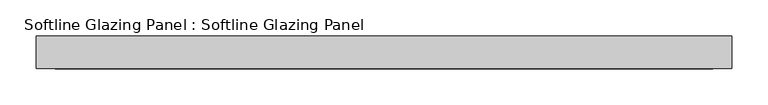
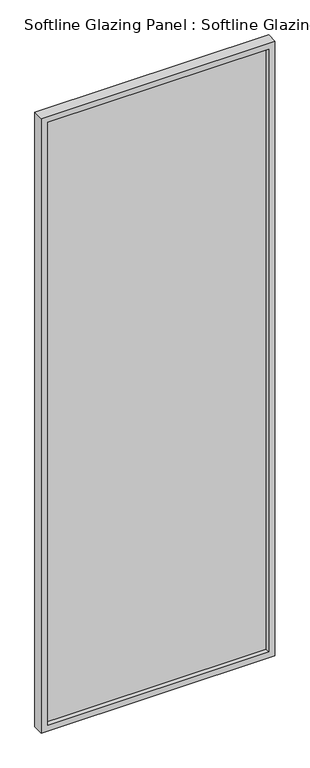
"""IFC4 building model written with IfcOpenShell, lengths in millimetres: plate geometry, Softline Glazing Panel : Softline Glazing Panel."""

import ifcopenshell
import ifcopenshell.guid

model = None  # the IFC model being written
_history = None  # IfcOwnerHistory: only IFC2X3 demands one
_inside = {}  # id of a spatial element -> (the spatial element, [elements in it])
_under = {}  # id of a project, library or spatial element -> (it, [spatial elements below it])
_declared = {}  # id of a project -> (the project, [libraries it declares])
_typed = {}  # id of a type object -> (the type object, [elements of that type])
_made_of = {}  # id of a material, layer set ... -> (it, [elements and type objects made of it])


def new_model(schema):
    """Start an empty IFC model of exactly this schema.

    Asked for "IFC4X3", IfcOpenShell would pick the latest addendum, in which some entities
    have other attributes; the version numbers below select the first issue.
    IFC2X3 requires an IfcOwnerHistory on every rooted entity: one is made here for all.
    """
    global model, _history
    if schema == "IFC4X3":
        model = ifcopenshell.file(schema_version=(4, 3, 0, 0))
    else:
        model = ifcopenshell.file(schema=schema)
    _inside.clear()
    _under.clear()
    _declared.clear()
    _typed.clear()
    _made_of.clear()
    _history = None
    if model.schema == "IFC2X3":
        org = make("IfcOrganization", Name="unknown")
        user = make(
            "IfcPersonAndOrganization",
            ThePerson=make("IfcPerson", FamilyName="unknown"),
            TheOrganization=org,
        )
        app = make(
            "IfcApplication",
            ApplicationDeveloper=org,
            Version="unknown",
            ApplicationFullName="unknown",
            ApplicationIdentifier="unknown",
        )
        _history = make(
            "IfcOwnerHistory",
            OwningUser=user,
            OwningApplication=app,
            ChangeAction="ADDED",
            CreationDate=0,
        )
    return model


def make(cls, **values):
    """One entity of the class cls with the attributes given. An attribute that is None is left unset."""
    return model.create_entity(
        cls, **{name: value for name, value in values.items() if value is not None}
    )


def rooted(cls, **values):
    """An entity with a GlobalId (a new one), such as an element, a storey or a relation."""
    return make(cls, GlobalId=ifcopenshell.guid.new(), OwnerHistory=_history, **values)


def si_unit(unit_type, name, prefix=None):
    """IfcSIUnit, for example si_unit("LENGTHUNIT", "METRE", prefix="MILLI")."""
    return make("IfcSIUnit", UnitType=unit_type, Prefix=prefix, Name=name)


def assignment(units):
    """IfcUnitAssignment: the units of a project."""
    return None if units is None else make("IfcUnitAssignment", Units=units)


def point(xyz):
    """IfcCartesianPoint."""
    return None if xyz is None else make("IfcCartesianPoint", Coordinates=xyz)


def direction(xyz):
    """IfcDirection."""
    return None if xyz is None else make("IfcDirection", DirectionRatios=xyz)


def frame(location, z_axis=None, x_axis=None):
    """IfcAxis2Placement3D, a coordinate frame: its origin and axes. An axis left out is left unset."""
    return make(
        "IfcAxis2Placement3D",
        Location=point(location),
        Axis=direction(z_axis),
        RefDirection=direction(x_axis),
    )


def origin():
    """The frame at (0, 0, 0) with its axes left unset."""
    return frame((0.0, 0.0, 0.0))


def place(relative_to, where):
    """IfcLocalPlacement: puts the frame where relative to a parent placement (None: the world)."""
    return make(
        "IfcLocalPlacement", PlacementRelTo=relative_to, RelativePlacement=where
    )


def context(
    kind, dimensions, precision=None, world=None, true_north=None, identifier=None
):
    """IfcGeometricRepresentationContext, for example the 3D "Model" context."""
    return make(
        "IfcGeometricRepresentationContext",
        ContextIdentifier=identifier,
        ContextType=kind,
        CoordinateSpaceDimension=dimensions,
        Precision=precision,
        WorldCoordinateSystem=world,
        TrueNorth=true_north,
    )


def project(units=None, contexts=None):
    """IfcProject with its units and contexts."""
    return rooted(
        "IfcProject",
        Name="project",
        RepresentationContexts=contexts,
        UnitsInContext=assignment(units),
    )


def spatial(cls, under=None, at=None, **own):
    """A site, building, storey or space (cls), placed at a placement, below another one or the project."""
    s = rooted(cls, ObjectPlacement=at, **own)
    if under is not None:
        _under.setdefault(under.id(), (under, []))[1].append(s)
    return s


def polyline(points):
    """IfcPolyline through the points."""
    return make("IfcPolyline", Points=[point(p) for p in points])


def outline(outer, holes=None, kind="AREA"):
    """IfcArbitraryClosedProfileDef: a profile drawn as a closed curve; with holes, ...WithVoids."""
    if holes is None:
        return make("IfcArbitraryClosedProfileDef", ProfileType=kind, OuterCurve=outer)
    return make(
        "IfcArbitraryProfileDefWithVoids",
        ProfileType=kind,
        OuterCurve=outer,
        InnerCurves=holes,
    )


def extrude(swept, where, along, depth):
    """IfcExtrudedAreaSolid: the profile swept, set in the frame where, extruded along a direction by depth."""
    return make(
        "IfcExtrudedAreaSolid",
        SweptArea=swept,
        Position=where,
        ExtrudedDirection=direction(along),
        Depth=depth,
    )


def faces_of(points, faces, orient=None, outer=None):
    """IfcFace entities. A face is a list of loops; a loop is a list of indices into points, from 0.

    orient and outer hold one flag for each loop. By default every Orientation is true, the
    first loop of a face is its IfcFaceOuterBound and the others are IfcFaceBound.
    """
    made = []
    for i, loops in enumerate(faces):
        bounds = []
        for j, loop in enumerate(loops):
            is_outer = j == 0 if outer is None else outer[i][j]
            bounds.append(
                make(
                    "IfcFaceOuterBound" if is_outer else "IfcFaceBound",
                    Bound=make("IfcPolyLoop", Polygon=[points[k] for k in loop]),
                    Orientation=True if orient is None else orient[i][j],
                )
            )
        made.append(make("IfcFace", Bounds=bounds))
    return made


def faceted_brep(points, faces, orient=None, outer=None, voids=None):
    """IfcFacetedBrep: a solid bounded by flat faces; with voids (closed shells), ...WithVoids."""
    shared = [point(p) for p in points]
    hull = make("IfcClosedShell", CfsFaces=faces_of(shared, faces, orient, outer))
    if voids is None:
        return make("IfcFacetedBrep", Outer=hull)
    return make(
        "IfcFacetedBrepWithVoids",
        Outer=hull,
        Voids=[
            make(cls, CfsFaces=faces_of(shared, fs, o, b)) for cls, fs, o, b in voids
        ],
    )


def shape(context_of_items, identifier, shape_type, items):
    """IfcShapeRepresentation: the items that make up one representation, for example the "Body"."""
    return make(
        "IfcShapeRepresentation",
        ContextOfItems=context_of_items,
        RepresentationIdentifier=identifier,
        RepresentationType=shape_type,
        Items=items,
    )


def source(mapping_origin, context_of_items, identifier, shape_type, items):
    """IfcRepresentationMap: a shape defined once, which mapped items show again and again."""
    return make(
        "IfcRepresentationMap",
        MappingOrigin=mapping_origin,
        MappedRepresentation=shape(context_of_items, identifier, shape_type, items),
    )


def transform(
    local_origin,
    x_axis=None,
    y_axis=None,
    z_axis=None,
    scale=None,
    scale2=None,
    scale3=None,
    uniform=True,
):
    """IfcCartesianTransformationOperator3D, or its non-uniform kind. x_axis, y_axis, z_axis: its Axis1, 2, 3."""
    if uniform:
        return make(
            "IfcCartesianTransformationOperator3D",
            Axis1=direction(x_axis),
            Axis2=direction(y_axis),
            LocalOrigin=point(local_origin),
            Scale=scale,
            Axis3=direction(z_axis),
        )
    return make(
        "IfcCartesianTransformationOperator3DnonUniform",
        Axis1=direction(x_axis),
        Axis2=direction(y_axis),
        LocalOrigin=point(local_origin),
        Scale=scale,
        Axis3=direction(z_axis),
        Scale2=scale2,
        Scale3=scale3,
    )


def mapped(mapping_source, mapping_target):
    """IfcMappedItem: shows the shape of a source again, moved by a transform."""
    return make(
        "IfcMappedItem", MappingSource=mapping_source, MappingTarget=mapping_target
    )


def made_of(thing, what):
    """Note that an element or type object is made of a material, layer set ...; save() writes the relation."""
    if what is not None:
        _made_of.setdefault(what.id(), (what, []))[1].append(thing)
    return thing


def element(
    cls,
    number,
    at=None,
    inside=None,
    cuts=None,
    type_object=None,
    material=None,
    context=None,
    identifier="Body",
    shape_type=None,
    held_by="IfcProductDefinitionShape",
    body=None,
    shapes=None,
    **own,
):
    """One element of the class cls, such as IfcWall. Its Tag is "e" and its number.

    at: its placement. inside: the storey or other place that contains it. cuts: it is an
    opening in that element (IfcRelVoidsElement). A single representation is given by context,
    identifier, shape_type and body (its items); several are given by shapes. held_by: the class
    of the entity that holds the representations. save() writes the other relations.
    """
    e = rooted(cls, Tag="e%d" % number, ObjectPlacement=at, **own)
    if body is not None:
        shapes = [shape(context, identifier, shape_type, body)]
    if shapes is not None:
        e.Representation = make(held_by, Representations=shapes)
    if inside is not None:
        _inside.setdefault(inside.id(), (inside, []))[1].append(e)
    if cuts is not None:
        rooted(
            "IfcRelVoidsElement", RelatingBuildingElement=cuts, RelatedOpeningElement=e
        )
    if type_object is not None:
        _typed.setdefault(type_object.id(), (type_object, []))[1].append(e)
    return made_of(e, material)


def aggregate(whole, parts):
    """IfcRelAggregates: a whole, such as a stair, and the parts it consists of."""
    return rooted("IfcRelAggregates", RelatingObject=whole, RelatedObjects=parts)


def save(model, path):
    """Write the relations noted so far, then the file.

    IfcRelAggregates (storeys below a building ...), IfcRelContainedInSpatialStructure (elements
    in a storey), IfcRelDefinesByType, IfcRelAssociatesMaterial and IfcRelDeclares: one each for
    every whole, place, type object, material and project.
    """
    for whole, parts in _under.values():
        aggregate(whole, parts)
    for where, things in _inside.values():
        rooted(
            "IfcRelContainedInSpatialStructure",
            RelatedElements=things,
            RelatingStructure=where,
        )
    for kind, things in _typed.values():
        rooted("IfcRelDefinesByType", RelatedObjects=things, RelatingType=kind)
    for what, things in _made_of.values():
        rooted("IfcRelAssociatesMaterial", RelatedObjects=things, RelatingMaterial=what)
    for by, libraries in _declared.values():
        rooted("IfcRelDeclares", RelatingContext=by, RelatedDefinitions=libraries)
    model.write(path)


def softline_glazing_panel_softline_glazing_panel_28821d36(model_context):
    return source(origin(), model_context, "Body", "SolidModel", [
        extrude(outline(polyline([(464.0, 4.0), (464.0, -4.0), (-464.0, -4.0), (-464.0, 4.0), (464.0, 4.0)])), frame((0.0, 0.0, 16.0), z_axis=(0.0, 0.0, 1.0), x_axis=(1.0, 0.0, 0.0)), (0.0, 0.0, 1.0), 2638.0),
        faceted_brep([(454.0, 4.0, 26.0), (454.0, 22.5, 26.0), (-454.0, 22.5, 26.0), (-454.0, 4.0, 26.0), (464.0, -4.0, 16.0), (464.0, 4.0, 16.0), (-464.0, 4.0, 16.0), (-464.0, -4.0, 16.0), (454.0, -22.5, 26.0), (454.0, -4.0, 26.0), (-454.0, -4.0, 26.0), (-454.0, -22.5, 26.0), (480.0, 22.5, 0.0), (480.0, -22.5, 0.0), (-480.0, -22.5, 0.0), (-480.0, 22.5, 0.0), (-454.0, 22.5, 2644.0), (-454.0, 4.0, 2644.0), (-464.0, 4.0, 2654.0), (-464.0, -4.0, 2654.0), (-454.0, -4.0, 2644.0), (-454.0, -22.5, 2644.0), (-480.0, -22.5, 2670.0), (-480.0, 22.5, 2670.0), (454.0, 22.5, 2644.0), (454.0, 4.0, 2644.0), (464.0, 4.0, 2654.0), (464.0, -4.0, 2654.0), (454.0, -4.0, 2644.0), (454.0, -22.5, 2644.0), (480.0, -22.5, 2670.0), (480.0, 22.5, 2670.0)], [[[0, 1, 2, 3]], [[4, 5, 6, 7]], [[8, 9, 10, 11]], [[12, 13, 14, 15]], [[3, 2, 16, 17]], [[7, 6, 18, 19]], [[11, 10, 20, 21]], [[15, 14, 22, 23]], [[17, 16, 24, 25]], [[19, 18, 26, 27]], [[21, 20, 28, 29]], [[23, 22, 30, 31]], [[15, 23, 31, 12], [1, 24, 16, 2]], [[25, 24, 1, 0]], [[5, 26, 18, 6], [3, 17, 25, 0]], [[27, 26, 5, 4]], [[7, 19, 27, 4], [9, 28, 20, 10]], [[29, 28, 9, 8]], [[13, 30, 22, 14], [11, 21, 29, 8]], [[31, 30, 13, 12]]]),
    ])


if __name__ == "__main__":
    model = new_model("IFC4")
    model_context = context("Model", 3, world=origin())
    ifc_project = project(units=[si_unit("LENGTHUNIT", "METRE", prefix="MILLI")], contexts=[model_context])
    site = spatial("IfcSite", under=ifc_project)
    building = spatial("IfcBuilding", under=site)
    placement = place(None, origin())
    softline_glazing_panel_softline_glazing_panel_shape = softline_glazing_panel_softline_glazing_panel_28821d36(model_context)
    element("IfcPlate", 1, ObjectType="Softline Glazing Panel : Softline Glazing Panel", at=placement, inside=building, context=model_context, shape_type="MappedRepresentation", body=[
        mapped(softline_glazing_panel_softline_glazing_panel_shape, transform((0.0, 0.0, 0.0), x_axis=(1.0, 0.0, 0.0), y_axis=(0.0, 1.0, 0.0), z_axis=(0.0, 0.0, 1.0))),
    ])
    save(model, "model.ifc")
